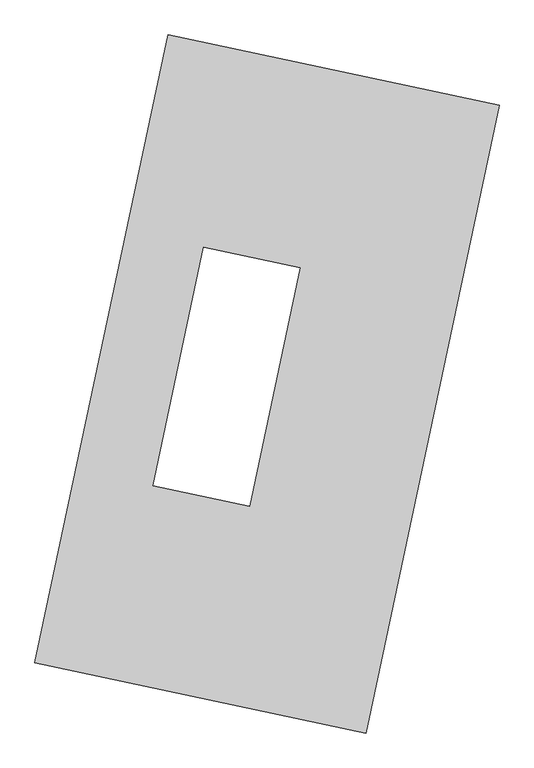
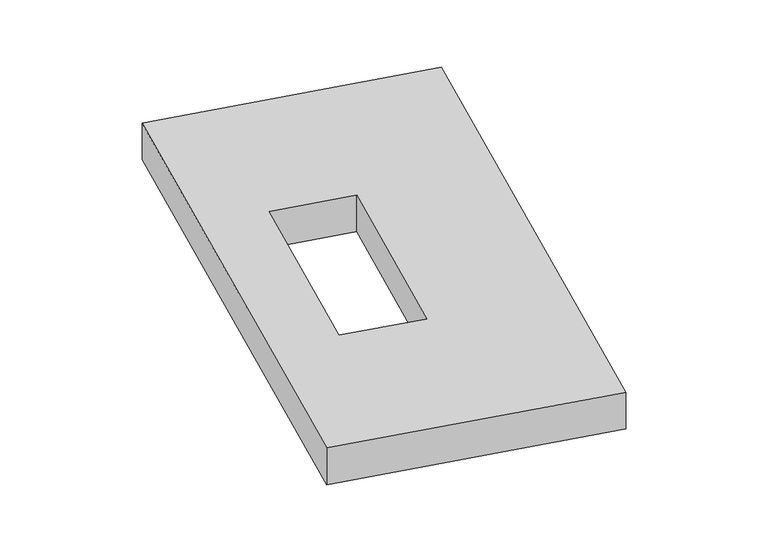
"""IFC4 building model written with IfcOpenShell, lengths in millimetres: proxy geometry."""

from ifc_helpers import new_model, si_unit, origin, origin_with_axes, place, context, project, spatial, polyline, outline, extrude, source, transform, mapped, element, save


def generic_models_f5483eaa(model_context):
    return source(origin(), model_context, "Body", "SweptSolid", [
        extrude(outline(polyline([(-617.3692021, 2175.5580432), (1447.7508745, 1737.3010494), (617.3692021, -2175.5580432), (-1447.7508745, -1737.3010494), (-617.3692021, 2175.5580432)]), holes=[polyline([(206.8202617, 725.5174562), (-395.7616219, 853.3965698), (-711.6517101, -635.1158158), (-109.0698266, -762.9949294), (206.8202617, 725.5174562)])]), origin_with_axes(), (0.0, 0.0, 1.0), 300.0),
    ])


if __name__ == "__main__":
    model = new_model("IFC4")
    model_context = context("Model", 3, world=origin())
    ifc_project = project(units=[si_unit("LENGTHUNIT", "METRE", prefix="MILLI")], contexts=[model_context])
    site = spatial("IfcSite", under=ifc_project)
    building = spatial("IfcBuilding", under=site)
    placement = place(None, origin())
    generic_models_shape = generic_models_f5483eaa(model_context)
    element("IfcBuildingElementProxy", 1, Name="Generic Models", at=placement, inside=building, context=model_context, shape_type="MappedRepresentation", body=[
        mapped(generic_models_shape, transform((0.0, 0.0, 0.0), x_axis=(1.0, 0.0, 0.0), y_axis=(0.0, 1.0, 0.0), z_axis=(0.0, 0.0, 1.0))),
    ])
    save(model, "model.ifc")
